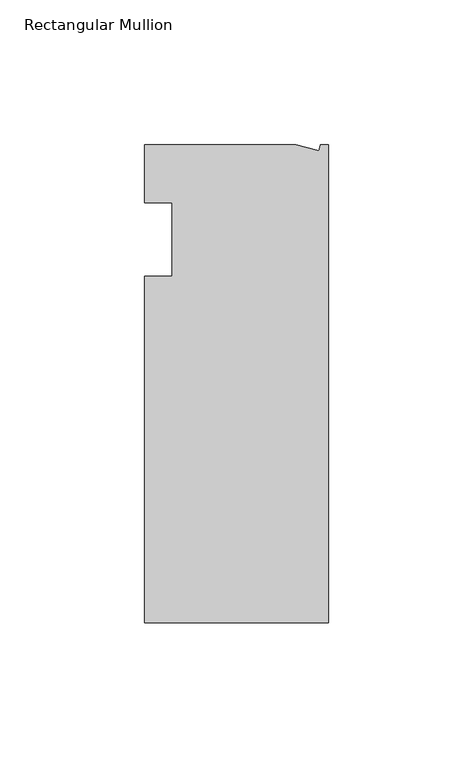
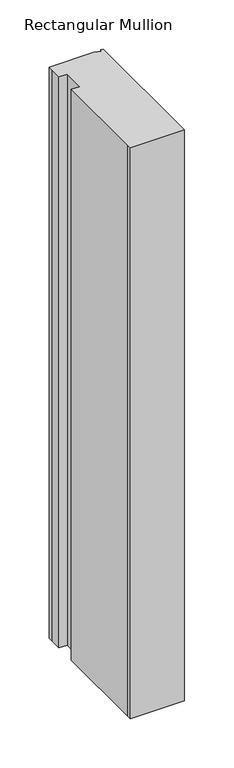
"""IFC4 building model written with IfcOpenShell, lengths in millimetres: member geometry, Rectangular Mullion."""

import ifcopenshell
import ifcopenshell.guid

model = None  # the IFC model being written
_history = None  # IfcOwnerHistory: only IFC2X3 demands one
_inside = {}  # id of a spatial element -> (the spatial element, [elements in it])
_under = {}  # id of a project, library or spatial element -> (it, [spatial elements below it])
_declared = {}  # id of a project -> (the project, [libraries it declares])
_typed = {}  # id of a type object -> (the type object, [elements of that type])
_made_of = {}  # id of a material, layer set ... -> (it, [elements and type objects made of it])


def new_model(schema):
    """Start an empty IFC model of exactly this schema.

    Asked for "IFC4X3", IfcOpenShell would pick the latest addendum, in which some entities
    have other attributes; the version numbers below select the first issue.
    IFC2X3 requires an IfcOwnerHistory on every rooted entity: one is made here for all.
    """
    global model, _history
    if schema == "IFC4X3":
        model = ifcopenshell.file(schema_version=(4, 3, 0, 0))
    else:
        model = ifcopenshell.file(schema=schema)
    _inside.clear()
    _under.clear()
    _declared.clear()
    _typed.clear()
    _made_of.clear()
    _history = None
    if model.schema == "IFC2X3":
        org = make("IfcOrganization", Name="unknown")
        user = make(
            "IfcPersonAndOrganization",
            ThePerson=make("IfcPerson", FamilyName="unknown"),
            TheOrganization=org,
        )
        app = make(
            "IfcApplication",
            ApplicationDeveloper=org,
            Version="unknown",
            ApplicationFullName="unknown",
            ApplicationIdentifier="unknown",
        )
        _history = make(
            "IfcOwnerHistory",
            OwningUser=user,
            OwningApplication=app,
            ChangeAction="ADDED",
            CreationDate=0,
        )
    return model


def make(cls, **values):
    """One entity of the class cls with the attributes given. An attribute that is None is left unset."""
    return model.create_entity(
        cls, **{name: value for name, value in values.items() if value is not None}
    )


def rooted(cls, **values):
    """An entity with a GlobalId (a new one), such as an element, a storey or a relation."""
    return make(cls, GlobalId=ifcopenshell.guid.new(), OwnerHistory=_history, **values)


def si_unit(unit_type, name, prefix=None):
    """IfcSIUnit, for example si_unit("LENGTHUNIT", "METRE", prefix="MILLI")."""
    return make("IfcSIUnit", UnitType=unit_type, Prefix=prefix, Name=name)


def assignment(units):
    """IfcUnitAssignment: the units of a project."""
    return None if units is None else make("IfcUnitAssignment", Units=units)


def point(xyz):
    """IfcCartesianPoint."""
    return None if xyz is None else make("IfcCartesianPoint", Coordinates=xyz)


def direction(xyz):
    """IfcDirection."""
    return None if xyz is None else make("IfcDirection", DirectionRatios=xyz)


def frame(location, z_axis=None, x_axis=None):
    """IfcAxis2Placement3D, a coordinate frame: its origin and axes. An axis left out is left unset."""
    return make(
        "IfcAxis2Placement3D",
        Location=point(location),
        Axis=direction(z_axis),
        RefDirection=direction(x_axis),
    )


def origin():
    """The frame at (0, 0, 0) with its axes left unset."""
    return frame((0.0, 0.0, 0.0))


def place(relative_to, where):
    """IfcLocalPlacement: puts the frame where relative to a parent placement (None: the world)."""
    return make(
        "IfcLocalPlacement", PlacementRelTo=relative_to, RelativePlacement=where
    )


def context(
    kind, dimensions, precision=None, world=None, true_north=None, identifier=None
):
    """IfcGeometricRepresentationContext, for example the 3D "Model" context."""
    return make(
        "IfcGeometricRepresentationContext",
        ContextIdentifier=identifier,
        ContextType=kind,
        CoordinateSpaceDimension=dimensions,
        Precision=precision,
        WorldCoordinateSystem=world,
        TrueNorth=true_north,
    )


def project(units=None, contexts=None):
    """IfcProject with its units and contexts."""
    return rooted(
        "IfcProject",
        Name="project",
        RepresentationContexts=contexts,
        UnitsInContext=assignment(units),
    )


def spatial(cls, under=None, at=None, **own):
    """A site, building, storey or space (cls), placed at a placement, below another one or the project."""
    s = rooted(cls, ObjectPlacement=at, **own)
    if under is not None:
        _under.setdefault(under.id(), (under, []))[1].append(s)
    return s


def polyline(points):
    """IfcPolyline through the points."""
    return make("IfcPolyline", Points=[point(p) for p in points])


def outline(outer, holes=None, kind="AREA"):
    """IfcArbitraryClosedProfileDef: a profile drawn as a closed curve; with holes, ...WithVoids."""
    if holes is None:
        return make("IfcArbitraryClosedProfileDef", ProfileType=kind, OuterCurve=outer)
    return make(
        "IfcArbitraryProfileDefWithVoids",
        ProfileType=kind,
        OuterCurve=outer,
        InnerCurves=holes,
    )


def extrude(swept, where, along, depth):
    """IfcExtrudedAreaSolid: the profile swept, set in the frame where, extruded along a direction by depth."""
    return make(
        "IfcExtrudedAreaSolid",
        SweptArea=swept,
        Position=where,
        ExtrudedDirection=direction(along),
        Depth=depth,
    )


def shape(context_of_items, identifier, shape_type, items):
    """IfcShapeRepresentation: the items that make up one representation, for example the "Body"."""
    return make(
        "IfcShapeRepresentation",
        ContextOfItems=context_of_items,
        RepresentationIdentifier=identifier,
        RepresentationType=shape_type,
        Items=items,
    )


def source(mapping_origin, context_of_items, identifier, shape_type, items):
    """IfcRepresentationMap: a shape defined once, which mapped items show again and again."""
    return make(
        "IfcRepresentationMap",
        MappingOrigin=mapping_origin,
        MappedRepresentation=shape(context_of_items, identifier, shape_type, items),
    )


def transform(
    local_origin,
    x_axis=None,
    y_axis=None,
    z_axis=None,
    scale=None,
    scale2=None,
    scale3=None,
    uniform=True,
):
    """IfcCartesianTransformationOperator3D, or its non-uniform kind. x_axis, y_axis, z_axis: its Axis1, 2, 3."""
    if uniform:
        return make(
            "IfcCartesianTransformationOperator3D",
            Axis1=direction(x_axis),
            Axis2=direction(y_axis),
            LocalOrigin=point(local_origin),
            Scale=scale,
            Axis3=direction(z_axis),
        )
    return make(
        "IfcCartesianTransformationOperator3DnonUniform",
        Axis1=direction(x_axis),
        Axis2=direction(y_axis),
        LocalOrigin=point(local_origin),
        Scale=scale,
        Axis3=direction(z_axis),
        Scale2=scale2,
        Scale3=scale3,
    )


def mapped(mapping_source, mapping_target):
    """IfcMappedItem: shows the shape of a source again, moved by a transform."""
    return make(
        "IfcMappedItem", MappingSource=mapping_source, MappingTarget=mapping_target
    )


def made_of(thing, what):
    """Note that an element or type object is made of a material, layer set ...; save() writes the relation."""
    if what is not None:
        _made_of.setdefault(what.id(), (what, []))[1].append(thing)
    return thing


def element(
    cls,
    number,
    at=None,
    inside=None,
    cuts=None,
    type_object=None,
    material=None,
    context=None,
    identifier="Body",
    shape_type=None,
    held_by="IfcProductDefinitionShape",
    body=None,
    shapes=None,
    **own,
):
    """One element of the class cls, such as IfcWall. Its Tag is "e" and its number.

    at: its placement. inside: the storey or other place that contains it. cuts: it is an
    opening in that element (IfcRelVoidsElement). A single representation is given by context,
    identifier, shape_type and body (its items); several are given by shapes. held_by: the class
    of the entity that holds the representations. save() writes the other relations.
    """
    e = rooted(cls, Tag="e%d" % number, ObjectPlacement=at, **own)
    if body is not None:
        shapes = [shape(context, identifier, shape_type, body)]
    if shapes is not None:
        e.Representation = make(held_by, Representations=shapes)
    if inside is not None:
        _inside.setdefault(inside.id(), (inside, []))[1].append(e)
    if cuts is not None:
        rooted(
            "IfcRelVoidsElement", RelatingBuildingElement=cuts, RelatedOpeningElement=e
        )
    if type_object is not None:
        _typed.setdefault(type_object.id(), (type_object, []))[1].append(e)
    return made_of(e, material)


def aggregate(whole, parts):
    """IfcRelAggregates: a whole, such as a stair, and the parts it consists of."""
    return rooted("IfcRelAggregates", RelatingObject=whole, RelatedObjects=parts)


def save(model, path):
    """Write the relations noted so far, then the file.

    IfcRelAggregates (storeys below a building ...), IfcRelContainedInSpatialStructure (elements
    in a storey), IfcRelDefinesByType, IfcRelAssociatesMaterial and IfcRelDeclares: one each for
    every whole, place, type object, material and project.
    """
    for whole, parts in _under.values():
        aggregate(whole, parts)
    for where, things in _inside.values():
        rooted(
            "IfcRelContainedInSpatialStructure",
            RelatedElements=things,
            RelatingStructure=where,
        )
    for kind, things in _typed.values():
        rooted("IfcRelDefinesByType", RelatedObjects=things, RelatingType=kind)
    for what, things in _made_of.values():
        rooted("IfcRelAssociatesMaterial", RelatedObjects=things, RelatingMaterial=what)
    for by, libraries in _declared.values():
        rooted("IfcRelDeclares", RelatingContext=by, RelatedDefinitions=libraries)
    model.write(path)


def rectangular_mullion_9724b270(model_context):
    return source(origin(), model_context, "Body", "SweptSolid", [
        extrude(outline(polyline([(0.0, -132.5561012), (-63.5, -132.5561012), (-63.5, -126.2061012), (-63.5, -12.8054199), (-53.975, -12.8054199), (-53.975, 12.5945801), (-63.5, 12.5945801), (-63.5, 26.1938988), (-63.5, 32.5438988), (-11.121847, 32.5438988), (-3.3341886, 30.4622958), (-2.7616541, 32.5438988), (0.0, 32.5438988), (0.0, -132.5561012)])), frame((0.0, 0.0, -708.7886596), z_axis=(0.0, 0.0, 1.0), x_axis=(1.0, 0.0, 0.0)), (0.0, 0.0, 1.0), 708.7886596),
    ])


if __name__ == "__main__":
    model = new_model("IFC4")
    model_context = context("Model", 3, world=origin())
    ifc_project = project(units=[si_unit("LENGTHUNIT", "METRE", prefix="MILLI")], contexts=[model_context])
    site = spatial("IfcSite", under=ifc_project)
    building = spatial("IfcBuilding", under=site)
    placement = place(None, origin())
    rectangular_mullion_shape = rectangular_mullion_9724b270(model_context)
    element("IfcMember", 1, ObjectType="Rectangular Mullion", at=placement, inside=building, context=model_context, shape_type="MappedRepresentation", body=[
        mapped(rectangular_mullion_shape, transform((0.0, 0.0, 0.0), x_axis=(1.0, 0.0, 0.0), y_axis=(0.0, 1.0, 0.0), z_axis=(0.0, 0.0, 1.0))),
    ])
    save(model, "model.ifc")
